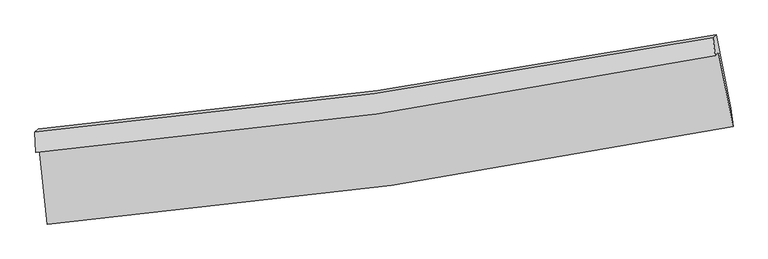
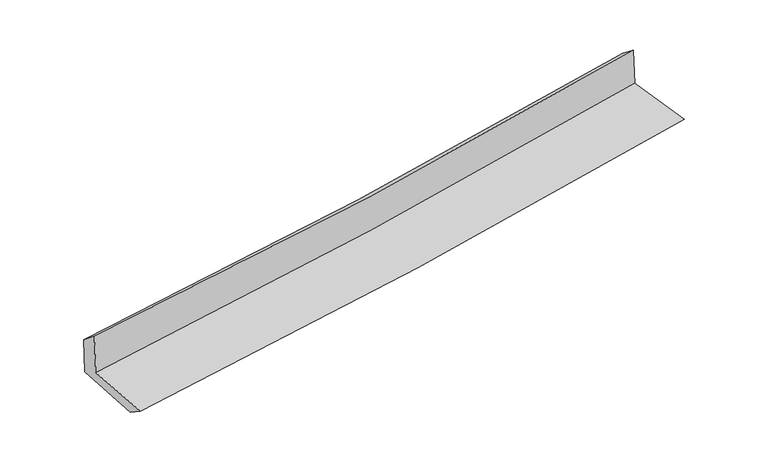
"""IFC4 building model written with IfcOpenShell, lengths in millimetres: proxy geometry."""

from ifc_helpers import new_model, si_unit, frame, origin, place, context, project, spatial, source, transform, mapped, element, save
from ifc_brep_helpers import plane_surface, spline_curve, spline_surface, advanced_brep


def generic_models_233dddc4(model_context):
    return source(origin(), model_context, "Body", "AdvancedBrep", [
        advanced_brep(
        [(-3007.8947114, -1902.5331219, 1641.7656968), (-2936.9564456, -2563.8918194, 1603.9589851), (3084.792195, -1705.2389779, 2113.3421502), (2956.5841198, -1052.3654471, 2146.1900159), (-3039.5611098, -1934.8057743, 2062.6337955), (2927.9039683, -1081.5946808, 2527.3688506), (-3045.9345933, -1755.1310223, 1917.6886029), (2908.8183551, -925.7217755, 2407.0990315), (-3018.1038743, -1726.7674835, 1547.7993068), (2935.2653734, -898.7684283, 2055.6000648), (-2944.9836652, -2397.0875825, 1494.790649), (3062.5867943, -1540.6042575, 2009.0679824)],
        [
            (0, 1),
            (1, 2, spline_curve(3, [(-2936.9564456, -2563.8918194, 1603.9589851), (-1927.468971, -2478.682565738, 1705.211873531), (-921.449134618, -2364.631609722, 1798.250083772), (1085.815371343, -2078.538415166, 1968.079909235), (2087.04508141, -1906.371757449, 2044.836087256), (3084.792195, -1705.2389779, 2113.3421502)], [4, 2, 4], [0.0, 9.959849566735068, 19.941158722281436])),
            (2, 3),
            (3, 0, spline_curve(3, [(2956.5841198, -1052.3654471, 2146.1900159), (1968.289705899, -1251.800252914, 2078.526701505), (976.564020377, -1422.410217487, 2002.605571247), (-1011.61032844, -1705.675630106, 1834.428661783), (-2008.044253447, -1818.454890495, 1742.208352133), (-3007.8947114, -1902.5331219, 1641.7656968)], [4, 2, 4], [0.0, 9.981309155546368, 19.941158722281436])),
            (4, 0),
            (3, 5),
            (5, 4, spline_curve(3, [(2927.9039683, -1081.5946808, 2527.3688506), (1939.611243899, -1281.027764389, 2459.683078107), (947.637012832, -1451.891033258, 2387.065291949), (-1041.533826526, -1736.172014235, 2232.132422366), (-2038.714621191, -1849.712443198, 2149.838523332), (-3039.5611098, -1934.8057743, 2062.6337955)], [4, 2, 4], [0.0, 9.933527380859337, 19.845697902641668])),
            (6, 4),
            (5, 7),
            (7, 6, spline_curve(3, [(2908.8183551, -925.7217755, 2407.0990315), (1921.653130465, -1114.219209628, 2331.373560579), (931.30366735, -1277.632779189, 2252.679541718), (-1053.627659376, -1553.994784674, 2089.529981352), (-2048.195845886, -1667.050963817, 2005.087190465), (-3045.9345933, -1755.1310223, 1917.6886029)], [4, 2, 4], [0.0, 9.921524678543939, 19.821718303549233])),
            (8, 6),
            (7, 9),
            (9, 8, spline_curve(3, [(2935.2653734, -898.7684283, 2055.6000648), (1948.617694319, -1086.738408302, 1972.996057781), (958.642282296, -1249.770765704, 1889.330644562), (-1025.828427014, -1525.663335541, 1720.059166382), (-2020.309431091, -1638.63066299, 1634.457660111), (-3018.1038743, -1726.7674835, 1547.7993068)], [4, 2, 4], [0.0, 9.909518570016456, 19.79773189935591])),
            (10, 8),
            (9, 11),
            (11, 10, spline_curve(3, [(3062.5867943, -1540.6042575, 2009.0679824), (2068.311472746, -1740.222822389, 1924.891459718), (1069.999849635, -1911.452005207, 1839.899757849), (-932.54097428, -2196.824505253, 1668.470478404), (-1936.752837746, -2311.08976405, 1582.036402683), (-2944.9836652, -2397.0875825, 1494.790649)], [4, 2, 4], [0.0, 9.95753080197629, 19.89365313806336])),
            (1, 10),
            (11, 2),
        ],
        [
            spline_surface(3, 3, [[(-3007.8947114, -1902.5331219, 1641.7656968), (-2008.044253429, -1818.454890351, 1742.208352176), (-1011.61032847, -1705.675630126, 1834.428661643), (976.564020407, -1422.410217467, 2002.605571386), (1968.289705797, -1251.800252754, 2078.526701662), (2956.5841198, -1052.3654471, 2146.1900159)], [(-2984.248622776, -2122.986021053, 1629.163459566), (-1981.185825965, -2038.530782169, 1729.87619265), (-981.556597159, -1925.327623363, 1822.369135709), (1012.981137351, -1641.119616688, 1991.097017323), (2007.87483104, -1469.990754256, 2067.296496907), (2999.320144863, -1269.989957356, 2135.24072736)], [(-2960.602534224, -2343.438920247, 1616.561222334), (-1954.327398571, -2258.606674028, 1717.544033128), (-951.502865836, -2144.979616561, 1810.309609759), (1049.398254306, -1859.829015868, 1979.588463246), (2047.459956296, -1688.18125579, 2056.066292072), (3042.056169937, -1487.614467644, 2124.29143874)], [(-2936.9564456, -2563.8918194, 1603.9589851), (-1927.468971107, -2478.682565845, 1705.211873602), (-921.449134526, -2364.631609798, 1798.250083824), (1085.81537125, -2078.538415089, 1968.079909183), (2087.04508154, -1906.371757292, 2044.836087316), (3084.792195, -1705.2389779, 2113.3421502)]], [4, 4], [4, 2, 4], [0.0, 2.185031193264577], [0.0, 9.959849566735068, 19.941158722281436]),
            spline_surface(3, 3, [[(-3039.5611098, -1934.8057743, 2062.6337955), (-2038.714621282, -1849.712443175, 2149.838523488), (-1041.533826521, -1736.172014229, 2232.132422332), (947.637012827, -1451.891033264, 2387.065291983), (1939.611244062, -1281.027764337, 2459.683078213), (2927.9039683, -1081.5946808, 2527.3688506)], [(-3029.005643667, -1924.048223509, 1922.344429263), (-2028.491165332, -1839.293258909, 2013.961799714), (-1031.55932717, -1726.006552843, 2099.564502087), (957.279348688, -1442.064094647, 2258.912051769), (1949.170731314, -1271.285260467, 2332.63095269), (2937.464018807, -1071.851602891, 2400.309239028)], [(-3018.450177533, -1913.290672691, 1782.055063037), (-2018.26770938, -1828.874074617, 1878.08507595), (-1021.584827821, -1715.841091512, 1966.996581888), (966.921684546, -1432.237156084, 2130.758811601), (1958.730218545, -1261.542756624, 2205.578827184), (2947.024069293, -1062.108525009, 2273.249627472)], [(-3007.8947114, -1902.5331219, 1641.7656968), (-2008.044253429, -1818.454890351, 1742.208352176), (-1011.61032847, -1705.675630126, 1834.428661643), (976.564020407, -1422.410217467, 2002.605571386), (1968.289705797, -1251.800252754, 2078.526701662), (2956.5841198, -1052.3654471, 2146.1900159)]], [4, 4], [4, 2, 4], [0.0, 1.2904124402521702], [0.0, 9.91217052178233, 19.845697902641668]),
            spline_surface(3, 3, [[(-3045.9345933, -1755.1310223, 1917.6886029), (-2048.195845972, -1667.050963811, 2005.087190591), (-1053.627659434, -1553.994784642, 2089.529981316), (931.303667408, -1277.632779222, 2252.679541754), (1921.653130307, -1114.219209498, 2331.373560552), (2908.8183551, -925.7217755, 2407.0990315)], [(-3043.810098794, -1815.022606283, 1966.00366712), (-2045.035437736, -1727.938123582, 2053.33763491), (-1049.596381819, -1614.720527842, 2137.064128316), (936.748115859, -1335.718863907, 2297.474791825), (1927.639168235, -1169.822061134, 2374.143399768), (2915.180226176, -977.679410623, 2447.188971195)], [(-3041.685604306, -1874.914190317, 2014.31873128), (-2041.875029519, -1788.825283404, 2101.588079169), (-1045.565104137, -1675.446271029, 2184.598275332), (942.192564376, -1393.804948579, 2342.270041913), (1933.625206134, -1225.424912701, 2416.913238997), (2921.542097224, -1029.637045677, 2487.278910905)], [(-3039.5611098, -1934.8057743, 2062.6337955), (-2038.714621282, -1849.712443175, 2149.838523488), (-1041.533826521, -1736.172014229, 2232.132422332), (947.637012827, -1451.891033264, 2387.065291983), (1939.611244062, -1281.027764337, 2459.683078213), (2927.9039683, -1081.5946808, 2527.3688506)]], [4, 4], [4, 2, 4], [0.0, 0.741925807154768], [0.0, 9.900193625005294, 19.821718303549233]),
            spline_surface(3, 3, [[(-3018.1038743, -1726.7674835, 1547.7993068), (-2020.309431244, -1638.630662988, 1634.45766017), (-1025.82842717, -1525.663335458, 1720.059166262), (958.642282452, -1249.770765786, 1889.330644683), (1948.617694269, -1086.738408211, 1972.996057935), (2935.2653734, -898.7684283, 2055.6000648)], [(-3027.380780651, -1736.221996451, 1671.095738833), (-2029.604902838, -1648.104096613, 1758.000836976), (-1035.094837924, -1535.107151874, 1843.21610463), (949.529410771, -1259.058103619, 2010.446943723), (1939.629506275, -1095.898675286, 2092.455225484), (2926.449700626, -907.752877345, 2172.766387043)], [(-3036.657686949, -1745.676509349, 1794.392170867), (-2038.900374379, -1657.577530186, 1881.544013784), (-1044.36124868, -1544.550968226, 1966.373042949), (940.416539089, -1268.345441389, 2131.563242714), (1930.641318301, -1105.058942424, 2211.914393003), (2917.634027874, -916.737326455, 2289.932709257)], [(-3045.9345933, -1755.1310223, 1917.6886029), (-2048.195845972, -1667.050963811, 2005.087190591), (-1053.627659434, -1553.994784642, 2089.529981316), (931.303667408, -1277.632779222, 2252.679541754), (1921.653130307, -1114.219209498, 2331.373560552), (2908.8183551, -925.7217755, 2407.0990315)]], [4, 4], [4, 2, 4], [0.0, 1.2090274109934378], [0.0, 9.888213329339454, 19.79773189935591]),
            spline_surface(3, 3, [[(-2944.9836652, -2397.0875825, 1494.790649), (-1936.752837635, -2311.089763888, 1582.036402604), (-932.54097419, -2196.82450515, 1668.470478487), (1069.999849545, -1911.45200531, 1839.899757766), (2068.311472642, -1740.222822389, 1924.891459656), (3062.5867943, -1540.6042575, 2009.0679824)], [(-2969.357068242, -2173.647549497, 1512.460201597), (-1964.605035514, -2086.936730252, 1599.510155123), (-963.636791824, -1973.104115229, 1685.666707738), (1032.88066054, -1690.891592112, 1856.376720064), (2028.413546533, -1522.39468435, 1940.926325727), (3020.146320682, -1326.65898112, 2024.578676512)], [(-2993.730471258, -1950.207516503, 1530.129754203), (-1992.457233365, -1862.783696624, 1616.983907651), (-994.732609536, -1749.383725379, 1702.862937011), (995.761471457, -1470.331178985, 1872.853682385), (1988.515620378, -1304.56654625, 1956.961191864), (2977.705847018, -1112.71370468, 2040.089370688)], [(-3018.1038743, -1726.7674835, 1547.7993068), (-2020.309431244, -1638.630662988, 1634.45766017), (-1025.82842717, -1525.663335458, 1720.059166262), (958.642282452, -1249.770765786, 1889.330644683), (1948.617694269, -1086.738408211, 1972.996057935), (2935.2653734, -898.7684283, 2055.6000648)]], [4, 4], [4, 2, 4], [0.0, 2.2182177747956286], [0.0, 9.93612233608707, 19.89365313806336]),
            spline_surface(3, 3, [[(-2936.9564456, -2563.8918194, 1603.9589851), (-1927.468971107, -2478.682565845, 1705.211873602), (-921.449134526, -2364.631609798, 1798.250083824), (1085.81537125, -2078.538415089, 1968.079909183), (2087.04508154, -1906.371757292, 2044.836087316), (3084.792195, -1705.2389779, 2113.3421502)], [(-2939.63218547, -2508.290407108, 1567.569539722), (-1930.563593286, -2422.818298534, 1664.153383257), (-925.146414415, -2308.695908252, 1754.990215386), (1080.54353068, -2022.842945166, 1925.353192052), (2080.800545219, -1850.988778989, 2004.854544758), (3077.390394745, -1650.360737765, 2078.584094262)], [(-2942.30792533, -2452.688994792, 1531.180094378), (-1933.658215456, -2366.9540312, 1623.094892948), (-928.843694301, -2252.760206696, 1711.730346925), (1075.271690115, -1967.147475233, 1882.626474897), (2074.556008963, -1795.605800692, 1964.873002214), (3069.988594555, -1595.482497635, 2043.826038338)], [(-2944.9836652, -2397.0875825, 1494.790649), (-1936.752837635, -2311.089763888, 1582.036402604), (-932.54097419, -2196.82450515, 1668.470478487), (1069.999849545, -1911.45200531, 1839.899757766), (2068.311472642, -1740.222822389, 1924.891459656), (3062.5867943, -1540.6042575, 2009.0679824)]], [4, 4], [4, 2, 4], [0.0, 0.6948463606653625], [0.0, 9.99573691468433, 20.013010741409126]),
            plane_surface(frame((2979.3251343, -1200.7155945, 2209.7780159), z_axis=(0.9782799511736037, 0.18768234991657312, 0.08799814010287274), x_axis=(-0.07481021178026637, -0.07624245512250062, 0.9942788946016531))),
            plane_surface(frame((-2998.9057333, -2046.7028006, 1711.439506), z_axis=(-0.9914049383969356, -0.10162981653051673, -0.08238706521136666), x_axis=(-0.10647780117354078, 0.9926944086871637, 0.05674758865793502))),
        ],
        [
            (0, [[1, 2, 3, 4]]),
            (1, [[5, -4, 6, 7]]),
            (2, [[8, -7, 9, 10]]),
            (3, [[11, -10, 12, 13]]),
            (4, [[14, -13, 15, 16]]),
            (5, [[17, -16, 18, -2]]),
            (6, [[-12, -9, -6, -3, -18, -15]]),
            (7, [[-1, -5, -8, -11, -14, -17]]),
        ],
    ),
    ])


if __name__ == "__main__":
    model = new_model("IFC4")
    model_context = context("Model", 3, world=origin())
    ifc_project = project(units=[si_unit("LENGTHUNIT", "METRE", prefix="MILLI")], contexts=[model_context])
    site = spatial("IfcSite", under=ifc_project)
    building = spatial("IfcBuilding", under=site)
    placement = place(None, origin())
    generic_models_shape = generic_models_233dddc4(model_context)
    element("IfcBuildingElementProxy", 1, Name="Generic Models", at=placement, inside=building, context=model_context, shape_type="MappedRepresentation", body=[
        mapped(generic_models_shape, transform((0.0, 0.0, 0.0), x_axis=(1.0, 0.0, 0.0), y_axis=(0.0, 1.0, 0.0), z_axis=(0.0, 0.0, 1.0))),
    ])
    save(model, "model.ifc")
